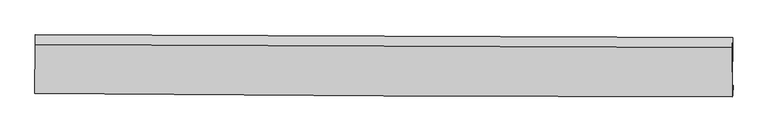
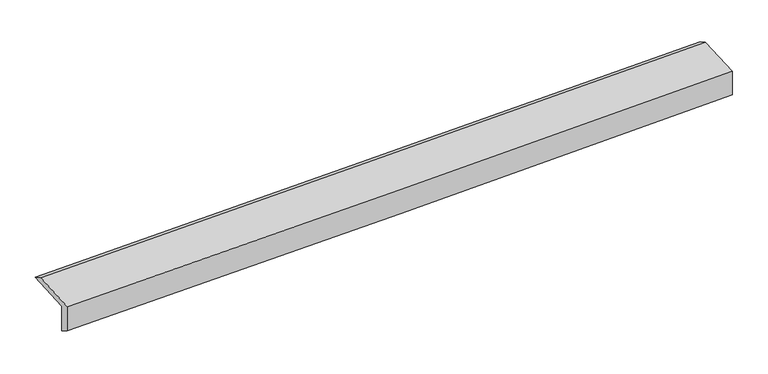
"""IFC4 building model written with IfcOpenShell, lengths in millimetres: proxy geometry."""

from ifc_helpers import new_model, si_unit, frame, origin, place, context, project, spatial, source, transform, mapped, element, save
from ifc_brep_helpers import plane_surface, spline_curve, spline_surface, advanced_brep


def generic_models_1fb7f8b2(model_context):
    return source(origin(), model_context, "Body", "AdvancedBrep", [
        advanced_brep(
        [(-4777.7295611, -1766.330077, 1523.5743952), (-4788.1355286, -1786.1399782, 1909.6375257), (4765.3719643, -1832.06905, 2174.8033505), (4775.5088429, -1812.7714149, 1798.7234647), (-4780.8263864, -1905.787704, 1607.8099241), (4772.4120176, -1952.229042, 1882.9589937), (-4791.1035234, -1925.3523499, 1989.0934219), (4762.4039696, -1971.2814217, 2254.2592467), (-4787.916835, -1253.6916163, 2023.6439717), (4765.6143488, -1294.6273463, 2289.0666564), (-4784.9702871, -1118.9996152, 1943.9555454), (4768.5608967, -1159.9353452, 2209.3782302)],
        [
            (0, 1),
            (1, 2, spline_curve(3, [(-4788.1355286, -1786.1399782, 1909.6375257), (-3194.819753494, -1802.618386614, 1950.065681615), (-1601.535370176, -1814.684647157, 1992.392007778), (1582.967048101, -1829.983248166, 2080.78538719), (3174.185162791, -1833.226677932, 2126.847669378), (4765.3719643, -1832.06905, 2174.8033505)], [4, 2, 4], [0.0, 15.687952120541528, 31.356176170241163])),
            (2, 3),
            (3, 0, spline_curve(3, [(4775.5088429, -1812.7714149, 1798.7234647), (3184.456557795, -1813.672963467, 1745.777207705), (1593.328139718, -1810.258778379, 1696.387177945), (-1591.084470289, -1794.789206775, 1604.661859898), (-3184.368853084, -1782.722946332, 1562.335533635), (-4777.7295611, -1766.330077, 1523.5743952)], [4, 2, 4], [0.0, 15.668224049699635, 31.356176170241163])),
            (4, 0),
            (3, 5),
            (5, 4, spline_curve(3, [(4772.4120176, -1952.229042, 1882.9589937), (3181.359732286, -1953.130590362, 1830.012736797), (1590.2313139, -1949.716405441, 1780.622706516), (-1594.181295071, -1934.246833914, 1688.897389127), (-3187.465678583, -1922.180573594, 1646.571062994), (-4780.8263864, -1905.787704, 1607.8099241)], [4, 2, 4], [0.0, 15.668256788325305, 31.356241688714146])),
            (6, 4),
            (5, 7),
            (7, 6, spline_curve(3, [(4762.4039696, -1971.2814217, 2254.2592467), (3171.217168091, -1972.439049632, 2206.303565578), (1579.999053301, -1969.195619866, 2160.24128339), (-1604.503364976, -1953.897018857, 2071.847903978), (-3197.787748294, -1941.830758314, 2029.521577815), (-4791.1035234, -1925.3523499, 1989.0934219)], [4, 2, 4], [0.0, 15.668224049699635, 31.356176170241163])),
            (8, 6),
            (7, 9),
            (9, 8, spline_curve(3, [(4765.6143488, -1294.6273463, 2289.0666564), (3174.463056532, -1288.300717409, 2241.495968771), (1583.260735781, -1281.728393014, 2195.604926692), (-1601.249530394, -1268.083768726, 2107.126466146), (-3194.557604476, -1261.010849563, 2064.543280207), (-4787.916835, -1253.6916163, 2023.6439717)], [4, 2, 4], [0.0, 15.668154329667175, 31.356036642390816])),
            (10, 8),
            (9, 11),
            (11, 10, spline_curve(3, [(4768.5608967, -1159.9353452, 2209.3782302), (3177.409604347, -1153.608716246, 2161.807542742), (1586.207283665, -1147.036392017, 2115.916500482), (-1598.302982478, -1133.391767523, 2027.438039956), (-3191.611056168, -1126.318848606, 1984.85485354), (-4784.9702871, -1118.9996152, 1943.9555454)], [4, 2, 4], [0.0, 15.668138963713524, 31.356005891136036])),
            (1, 10),
            (11, 2),
        ],
        [
            spline_surface(3, 3, [[(-4777.7295611, -1766.330077, 1523.5743952), (-3184.368853128, -1782.722946398, 1562.335533894), (-1591.084470029, -1794.789207006, 1604.661860157), (1593.328139457, -1810.258778149, 1696.387177686), (3184.456557704, -1813.672963478, 1745.77720791), (4775.5088429, -1812.7714149, 1798.7234647)], [(-4781.198216918, -1772.933377427, 1652.26210536), (-3187.852486572, -1789.35475982, 1691.578916481), (-1594.568103473, -1801.421020428, 1733.905242745), (1589.874442431, -1816.833601438, 1824.519914194), (3181.032759449, -1820.190868301, 1872.800695008), (4772.129883396, -1819.203959928, 1924.083426631)], [(-4784.666872782, -1779.536677773, 1780.94981554), (-3191.336120062, -1795.98657316, 1820.822299089), (-1598.051736963, -1808.052833868, 1863.148625252), (1586.420745358, -1823.408424744, 1952.65265062), (3177.608961105, -1826.708773138, 1999.824182112), (4768.750923804, -1825.636504972, 2049.443388569)], [(-4788.1355286, -1786.1399782, 1909.6375257), (-3194.819753506, -1802.618386582, 1950.065681676), (-1601.535370407, -1814.68464729, 1992.39200784), (1582.967048331, -1829.983248033, 2080.785387128), (3174.18516285, -1833.226677961, 2126.84766921), (4765.3719643, -1832.06905, 2174.8033505)]], [4, 4], [4, 2, 4], [0.0, 1.268747456594119], [0.0, 15.687952120541528, 31.356176170241163]),
            spline_surface(3, 3, [[(-4780.8263864, -1905.787704, 1607.8099241), (-3187.465678428, -1922.180573398, 1646.571062794), (-1594.181295329, -1934.246834106, 1688.897389057), (1590.231314157, -1949.716405249, 1780.622706586), (3181.359732404, -1953.130590578, 1830.01273691), (4772.4120176, -1952.229042, 1882.9589937)], [(-4779.794111307, -1859.301828314, 1579.731414457), (-3186.433403335, -1875.694697713, 1618.492553151), (-1593.149020235, -1887.760958421, 1660.818879414), (1591.263589251, -1903.230529563, 1752.544196944), (3182.392007497, -1906.644714893, 1801.934227267), (4773.444292693, -1905.743166314, 1854.880484057)], [(-4778.761836193, -1812.815952686, 1551.652904843), (-3185.401128222, -1829.208822084, 1590.414043536), (-1592.116745122, -1841.275082692, 1632.7403698), (1592.295864364, -1856.744653835, 1724.465687329), (3183.424282611, -1860.158839164, 1773.855717553), (4774.476567807, -1859.257290586, 1826.801974343)], [(-4777.7295611, -1766.330077, 1523.5743952), (-3184.368853128, -1782.722946398, 1562.335533894), (-1591.084470029, -1794.789207006, 1604.661860157), (1593.328139457, -1810.258778149, 1696.387177686), (3184.456557704, -1813.672963478, 1745.77720791), (4775.5088429, -1812.7714149, 1798.7234647)]], [4, 4], [4, 2, 4], [0.0, 0.5346223429792104], [0.0, 15.687984900388841, 31.356241688714146]),
            spline_surface(3, 3, [[(-4791.1035234, -1925.3523499, 1989.0934219), (-3197.787748306, -1941.830758282, 2029.521577876), (-1604.503365207, -1953.89701899, 2071.84790404), (1579.999053531, -1969.195619733, 2160.241283328), (3171.21716815, -1972.439049661, 2206.30356541), (4762.4039696, -1971.2814217, 2254.2592467)], [(-4787.677811079, -1918.83080126, 1861.998922649), (-3194.347058359, -1935.280696647, 1901.871406198), (-1601.06267526, -1947.346957355, 1944.197732362), (1583.409807061, -1962.702548231, 2033.70175773), (3174.598022908, -1966.002896626, 2080.873289221), (4765.739985607, -1964.930628459, 2130.492495678)], [(-4784.252098721, -1912.30925264, 1734.904423351), (-3190.906368375, -1928.730635033, 1774.221234472), (-1597.621985276, -1940.796895741, 1816.547560735), (1586.820560628, -1956.20947675, 1907.162232184), (3177.978877646, -1959.566743614, 1955.443013098), (4769.076001593, -1958.579835241, 2006.725744722)], [(-4780.8263864, -1905.787704, 1607.8099241), (-3187.465678428, -1922.180573398, 1646.571062794), (-1594.181295329, -1934.246834106, 1688.897389057), (1590.231314157, -1949.716405249, 1780.622706586), (3181.359732404, -1953.130590578, 1830.01273691), (4772.4120176, -1952.229042, 1882.9589937)]], [4, 4], [4, 2, 4], [0.0, 1.2530399283998361], [0.0, 15.687952120541528, 31.356176170241163]),
            spline_surface(3, 3, [[(-4787.916835, -1253.6916163, 2023.6439717), (-3194.557604282, -1261.010849766, 2064.54328002), (-1601.249530314, -1268.083768755, 2107.126466103), (1583.260735701, -1281.728392984, 2195.604926735), (3174.46305634, -1288.300717325, 2241.49596887), (4765.6143488, -1294.6273463, 2289.0666564)], [(-4788.979064463, -1477.578527511, 2012.127121777), (-3195.634318953, -1487.950819282, 2052.869379316), (-1602.33414194, -1496.688185519, 2095.366945435), (1582.173508315, -1510.884135252, 2183.817045619), (3173.381093592, -1516.346828095, 2229.76516773), (4764.544222381, -1520.178704758, 2277.464186513)], [(-4790.041293937, -1701.465438689, 2000.610271823), (-3196.711033635, -1714.890788766, 2041.195478581), (-1603.41875358, -1725.292602227, 2083.607424708), (1581.086280917, -1740.039877465, 2172.029164444), (3172.299130898, -1744.392938891, 2218.03436655), (4763.474096019, -1745.730063242, 2265.861716587)], [(-4791.1035234, -1925.3523499, 1989.0934219), (-3197.787748306, -1941.830758282, 2029.521577876), (-1604.503365207, -1953.89701899, 2071.84790404), (1579.999053531, -1969.195619733, 2160.241283328), (3171.21716815, -1972.439049661, 2206.30356541), (4762.4039696, -1971.2814217, 2254.2592467)]], [4, 4], [4, 2, 4], [0.0, 2.255757141019463], [0.0, 15.68788231272364, 31.356036642390816]),
            spline_surface(3, 3, [[(-4784.9702871, -1118.9996152, 1943.9555454), (-3191.611056382, -1126.318848666, 1984.85485372), (-1598.302982414, -1133.391767655, 2027.438039903), (1586.207283601, -1147.036391884, 2115.916500535), (3177.40960424, -1153.608716225, 2161.80754267), (4768.5608967, -1159.9353452, 2209.3782302)], [(-4785.952469744, -1163.896948898, 1970.518354143), (-3192.593239026, -1171.216182364, 2011.417662463), (-1599.285165058, -1178.289101353, 2054.000848646), (1585.225100957, -1191.933725582, 2142.479309278), (3176.427421597, -1198.506049922, 2188.370351413), (4767.578714056, -1204.832678898, 2235.941038943)], [(-4786.934652356, -1208.794282602, 1997.081162957), (-3193.575421638, -1216.113516068, 2037.980471277), (-1600.26734767, -1223.186435058, 2080.56365736), (1584.242918345, -1236.831059287, 2169.042117992), (3175.445238984, -1243.403383627, 2214.933160128), (4766.596531444, -1249.730012602, 2262.503847657)], [(-4787.916835, -1253.6916163, 2023.6439717), (-3194.557604282, -1261.010849766, 2064.54328002), (-1601.249530314, -1268.083768755, 2107.126466103), (1583.260735701, -1281.728392984, 2195.604926735), (3174.46305634, -1288.300717325, 2241.49596887), (4765.6143488, -1294.6273463, 2289.0666564)]], [4, 4], [4, 2, 4], [0.0, 0.5135417119565012], [0.0, 15.687866927422512, 31.356005891136036]),
            spline_surface(3, 3, [[(-4788.1355286, -1786.1399782, 1909.6375257), (-3194.819753506, -1802.618386582, 1950.065681676), (-1601.535370407, -1814.68464729, 1992.39200784), (1582.967048331, -1829.983248033, 2080.785387128), (3174.18516285, -1833.226677961, 2126.84766921), (4765.3719643, -1832.06905, 2174.8033505)], [(-4787.080448089, -1563.75985719, 1921.076865614), (-3193.750187788, -1577.185207267, 1961.662072371), (-1600.457907733, -1587.587020728, 2004.074018498), (1584.047126764, -1602.334295966, 2092.495758234), (3175.259976646, -1606.687357392, 2138.50096034), (4766.434941766, -1608.024481743, 2186.328310377)], [(-4786.025367611, -1341.37973621, 1932.516205486), (-3192.680622101, -1351.752027981, 1973.258463025), (-1599.380445088, -1360.489394218, 2015.756029245), (1585.127205168, -1374.685343951, 2104.206129429), (3176.334790444, -1380.148036794, 2150.15425154), (4767.497919234, -1383.979913457, 2197.853270323)], [(-4784.9702871, -1118.9996152, 1943.9555454), (-3191.611056382, -1126.318848666, 1984.85485372), (-1598.302982414, -1133.391767655, 2027.438039903), (1586.207283601, -1147.036391884, 2115.916500535), (3177.40960424, -1153.608716225, 2161.80754267), (4768.5608967, -1159.9353452, 2209.3782302)]], [4, 4], [4, 2, 4], [0.0, 2.2409067532581575], [0.0, 15.687882312723627, 31.356036642390787]),
            plane_surface(frame((4768.3120066, -1670.4856033, 2101.531657), z_axis=(0.9996266608733928, -0.006112597279570555, 0.026630340320933664), x_axis=(-0.0047381731150259844, -0.9986683481450115, -0.05137197805074635))),
            plane_surface(frame((-4785.1136869, -1626.0502234, 1832.952464), z_axis=(-0.9996266608733928, 0.006112597279571584, -0.026630340320933976), x_axis=(0.026908894192125832, 0.05122661971877693, -0.9983244687202377))),
        ],
        [
            (0, [[1, 2, 3, 4]]),
            (1, [[5, -4, 6, 7]]),
            (2, [[8, -7, 9, 10]]),
            (3, [[11, -10, 12, 13]]),
            (4, [[14, -13, 15, 16]]),
            (5, [[17, -16, 18, -2]]),
            (6, [[-12, -9, -6, -3, -18, -15]]),
            (7, [[-1, -5, -8, -11, -14, -17]]),
        ],
    ),
    ])


if __name__ == "__main__":
    model = new_model("IFC4")
    model_context = context("Model", 3, world=origin())
    ifc_project = project(units=[si_unit("LENGTHUNIT", "METRE", prefix="MILLI")], contexts=[model_context])
    site = spatial("IfcSite", under=ifc_project)
    building = spatial("IfcBuilding", under=site)
    placement = place(None, origin())
    generic_models_shape = generic_models_1fb7f8b2(model_context)
    element("IfcBuildingElementProxy", 1, Name="Generic Models", at=placement, inside=building, context=model_context, shape_type="MappedRepresentation", body=[
        mapped(generic_models_shape, transform((0.0, 0.0, 0.0), x_axis=(1.0, 0.0, 0.0), y_axis=(0.0, 1.0, 0.0), z_axis=(0.0, 0.0, 1.0))),
    ])
    save(model, "model.ifc")
